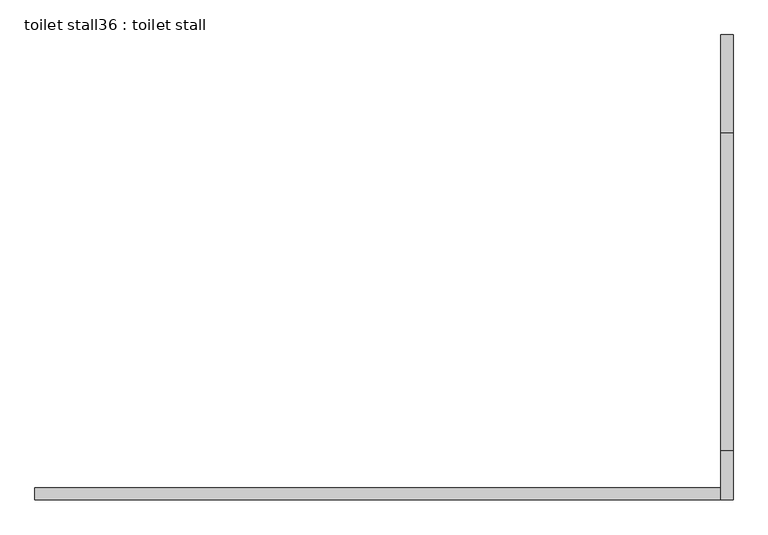
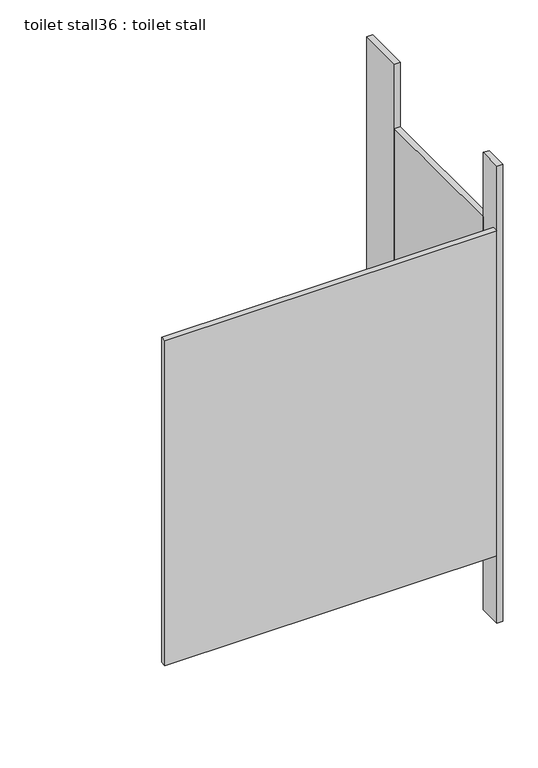
"""IFC4 building model written with IfcOpenShell, lengths in millimetres: proxy geometry, toilet stall36 : toilet stall."""

from ifc_helpers import new_model, si_unit, frame, origin, origin_with_axes, place, context, project, spatial, polyline, outline, extrude, source, transform, mapped, element, save


def toilet_stall36_toilet_stall_e864d093(model_context):
    return source(origin(), model_context, "Body", "SweptSolid", [
        extrude(outline(polyline([(458207.8504676, -348141.1455223), (458207.8504676, -347937.9455223), (458233.2504676, -347937.9455223), (458233.2504676, -348141.1455223), (458207.8504676, -348141.1455223)])), origin_with_axes(), (0.0, 0.0, 1.0), 2070.1),
        extrude(outline(polyline([(458207.8504676, -348903.1455223), (458207.8504676, -348801.5455223), (458233.2504676, -348801.5455223), (458233.2504676, -348903.1455223), (458207.8504676, -348903.1455223)])), origin_with_axes(), (0.0, 0.0, 1.0), 2070.1),
        extrude(outline(polyline([(458207.8504676, -348903.1455223), (456785.4504676, -348903.1455223), (456785.4504676, -348877.7455223), (458207.8504676, -348877.7455223), (458207.8504676, -348903.1455223)])), frame((0.0, 0.0, 304.8), z_axis=(0.0, 0.0, 1.0), x_axis=(1.0, 0.0, 0.0)), (0.0, 0.0, 1.0), 1473.2),
        extrude(outline(polyline([(458207.8504676, -348801.5455223), (458207.8504676, -348141.1455223), (458233.2504676, -348141.1455223), (458233.2504676, -348801.5455223), (458207.8504676, -348801.5455223)])), frame((0.0, 0.0, 304.8), z_axis=(0.0, 0.0, 1.0), x_axis=(1.0, 0.0, 0.0)), (0.0, 0.0, 1.0), 1473.2),
    ])


if __name__ == "__main__":
    model = new_model("IFC4")
    model_context = context("Model", 3, world=origin())
    ifc_project = project(units=[si_unit("LENGTHUNIT", "METRE", prefix="MILLI")], contexts=[model_context])
    site = spatial("IfcSite", under=ifc_project)
    building = spatial("IfcBuilding", under=site)
    placement = place(None, origin())
    toilet_stall36_toilet_stall_shape = toilet_stall36_toilet_stall_e864d093(model_context)
    element("IfcBuildingElementProxy", 1, Name="toilet stall36 : toilet stall", ObjectType="toilet stall36 : toilet stall", at=placement, inside=building, context=model_context, shape_type="MappedRepresentation", body=[
        mapped(toilet_stall36_toilet_stall_shape, transform((0.0, 0.0, 0.0), x_axis=(1.0, 0.0, 0.0), y_axis=(0.0, 1.0, 0.0), z_axis=(0.0, 0.0, 1.0))),
    ])
    save(model, "model.ifc")
